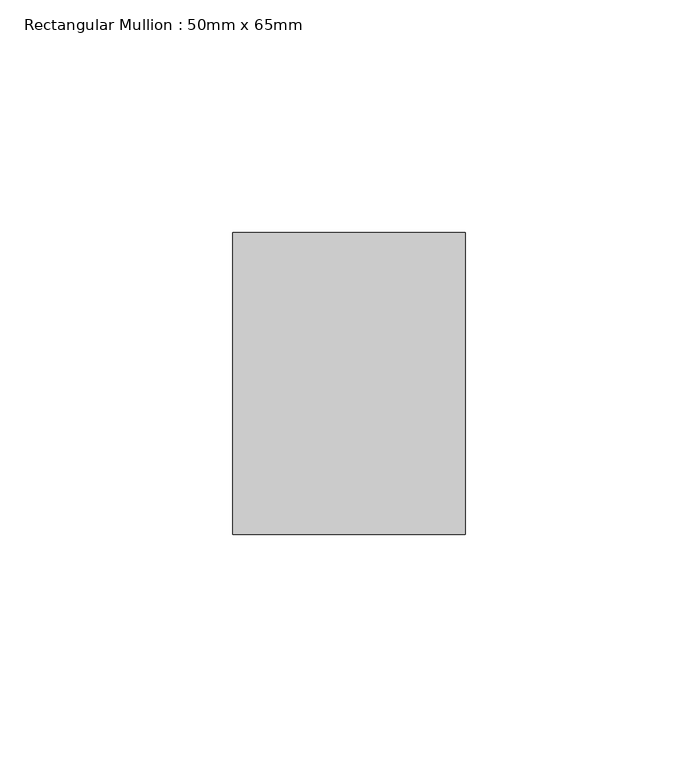
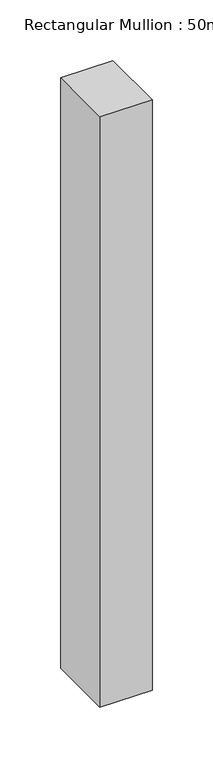
"""IFC4 building model written with IfcOpenShell, lengths in millimetres: member geometry, Rectangular Mullion : 50mm x 65mm."""

from ifc_helpers import new_model, si_unit, frame, origin, place, context, project, spatial, polyline, outline, extrude, source, transform, mapped, element, save


def rectangular_mullion_50mm_x_65mm_63bed58a(model_context):
    return source(origin(), model_context, "Body", "SweptSolid", [
        extrude(outline(polyline([(25.0, 32.5), (25.0, -32.5), (-25.0, -32.5), (-25.0, 32.5), (25.0, 32.5)])), frame((0.0, 0.0, -595.7758203), z_axis=(0.0, 0.0, 1.0), x_axis=(1.0, 0.0, 0.0)), (0.0, 0.0, 1.0), 595.7758203),
    ])


if __name__ == "__main__":
    model = new_model("IFC4")
    model_context = context("Model", 3, world=origin())
    ifc_project = project(units=[si_unit("LENGTHUNIT", "METRE", prefix="MILLI")], contexts=[model_context])
    site = spatial("IfcSite", under=ifc_project)
    building = spatial("IfcBuilding", under=site)
    placement = place(None, origin())
    rectangular_mullion_50mm_x_65mm_shape = rectangular_mullion_50mm_x_65mm_63bed58a(model_context)
    element("IfcMember", 1, ObjectType="Rectangular Mullion : 50mm x 65mm", at=placement, inside=building, context=model_context, shape_type="MappedRepresentation", body=[
        mapped(rectangular_mullion_50mm_x_65mm_shape, transform((0.0, 0.0, 0.0), x_axis=(1.0, 0.0, 0.0), y_axis=(0.0, 1.0, 0.0), z_axis=(0.0, 0.0, 1.0))),
    ])
    save(model, "model.ifc")
